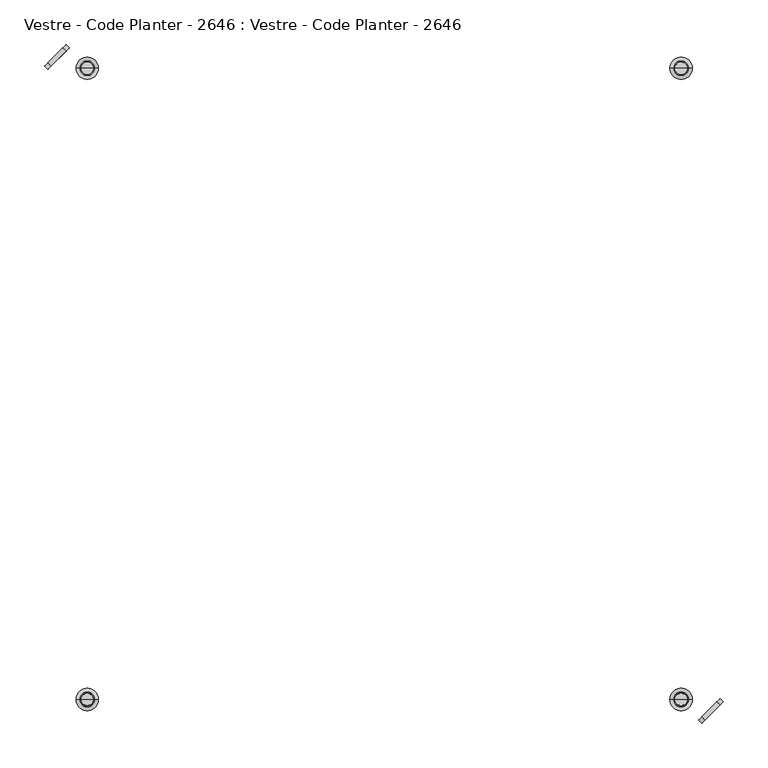
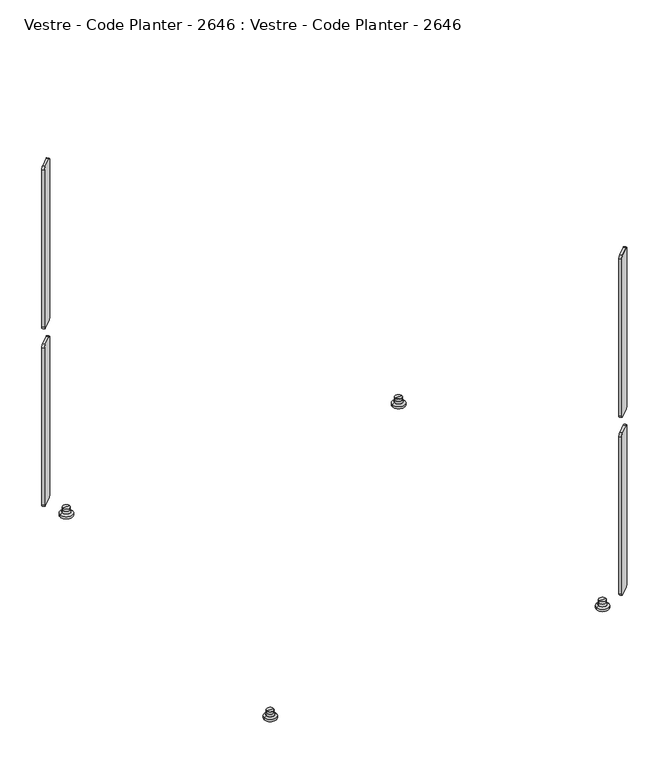
"""IFC4 building model written with IfcOpenShell, lengths in millimetres: furniture geometry, Vestre - Code Planter - 2646 : Vestre - Code Planter - 2646."""

from ifc_helpers import new_model, si_unit, point, frame, frame_2d, origin, place, context, project, spatial, polyline, circle_curve, ellipse_curve, trimmed, segment, composite_curve, outline, extrude, source, transform, mapped, element, save
from ifc_brep_helpers import plane_surface, cylinder_surface, revolved_surface, advanced_brep


def vestre_code_planter_2646_vestre_code_planter_2646_c08bb300(model_context):
    return source(origin(), model_context, "Body", "SolidModel", [
        advanced_brep(
        [(345.0266752, 353.4677551, 4.0279529), (319.9733248, 353.4677551, 4.0279529), (319.9733248, 353.4677551, 0.0), (345.0266752, 353.4677551, 0.0), (341.0866069, 353.4677551, 6.765116), (323.9133931, 353.4677551, 6.765116), (339.6063717, 353.4677551, 11.1153947), (325.3936283, 353.4677551, 11.1153947), (324.3614786, 353.4677551, 7.3965204), (340.6385214, 353.4677551, 7.3965204), (339.4991773, 353.4677551, 16.475), (325.5008227, 353.4677551, 16.475), (325.5008227, 353.4677551, 11.9024454), (339.4991773, 353.4677551, 11.9024454), (332.5, 353.4677551, 16.475), (332.5, 353.4677551, 0.0)],
        [
            (0, 1, circle_curve(frame((332.5, 353.4677551, 4.0279529), z_axis=(0.0, 0.0, -1.0), x_axis=(-1.0, 0.0, 0.0)), 12.5266752)),
            (1, 2),
            (2, 3, circle_curve(frame((332.5, 353.4677551, 0.0), z_axis=(0.0, 0.0, 1.0), x_axis=(-1.0, 0.0, 0.0)), 12.5266752)),
            (3, 0),
            (1, 0, circle_curve(frame((332.5, 353.4677551, 4.0279529), z_axis=(0.0, 0.0, -1.0), x_axis=(-1.0, 0.0, 0.0)), 12.5266752)),
            (3, 2, circle_curve(frame((332.5, 353.4677551, 0.0), z_axis=(0.0, 0.0, 1.0), x_axis=(-1.0, 0.0, 0.0)), 12.5266752)),
            (4, 5, circle_curve(frame((332.5, 353.4677551, 6.765116), z_axis=(0.0, 0.0, -1.0), x_axis=(-1.0, 0.0, 0.0)), 8.5866069)),
            (5, 1),
            (0, 4),
            (5, 4, circle_curve(frame((332.5, 353.4677551, 6.765116), z_axis=(0.0, 0.0, -1.0), x_axis=(-1.0, 0.0, 0.0)), 8.5866069)),
            (6, 7, circle_curve(frame((332.5, 353.4677551, 11.1153947), z_axis=(0.0, 0.0, -1.0), x_axis=(-1.0, 0.0, 0.0)), 7.1063717)),
            (7, 8),
            (8, 9, circle_curve(frame((332.5, 353.4677551, 7.3965204), z_axis=(0.0, 0.0, 1.0), x_axis=(-1.0, 0.0, 0.0)), 8.1385214)),
            (9, 6),
            (7, 6, circle_curve(frame((332.5, 353.4677551, 11.1153947), z_axis=(0.0, 0.0, -1.0), x_axis=(-1.0, 0.0, 0.0)), 7.1063717)),
            (9, 8, circle_curve(frame((332.5, 353.4677551, 7.3965204), z_axis=(0.0, 0.0, 1.0), x_axis=(-1.0, 0.0, 0.0)), 8.1385214)),
            (10, 11, circle_curve(frame((332.5, 353.4677551, 16.475), z_axis=(0.0, 0.0, -1.0), x_axis=(-1.0, 0.0, 0.0)), 6.9991773)),
            (11, 12),
            (12, 13, circle_curve(frame((332.5, 353.4677551, 11.9024454), z_axis=(0.0, 0.0, 1.0), x_axis=(-1.0, 0.0, 0.0)), 6.9991773)),
            (13, 10),
            (11, 10, circle_curve(frame((332.5, 353.4677551, 16.475), z_axis=(0.0, 0.0, -1.0), x_axis=(-1.0, 0.0, 0.0)), 6.9991773)),
            (13, 12, circle_curve(frame((332.5, 353.4677551, 11.9024454), z_axis=(0.0, 0.0, 1.0), x_axis=(-1.0, 0.0, 0.0)), 6.9991773)),
            (14, 11),
            (10, 14),
            (2, 15),
            (15, 3),
            (8, 5, circle_curve(frame((323.2629503, 353.4677551, 7.7014099), z_axis=(0.0, 1.0, 0.0), x_axis=(-1.0, 0.0, 0.0)), 1.1400535)),
            (4, 9, circle_curve(frame((341.7370497, 353.4677551, 7.7014099), z_axis=(0.0, 1.0, 0.0), x_axis=(1.0, 0.0, 0.0)), 1.1400535)),
            (12, 7, circle_curve(frame((322.5578548, 353.4677551, 11.9024454), z_axis=(0.0, 1.0, 0.0), x_axis=(-1.0, 0.0, 0.0)), 2.9429678)),
            (6, 13, circle_curve(frame((342.4421452, 353.4677551, 11.9024454), z_axis=(0.0, 1.0, 0.0), x_axis=(1.0, 0.0, 0.0)), 2.9429678)),
        ],
        [
            cylinder_surface(frame((332.5, 353.4677551, 22.5805596), z_axis=(0.0, 0.0, 1.0), x_axis=(-1.0, 0.0, 0.0)), 12.5266752),
            revolved_surface(polyline([(319.9733248, 353.4677551, 4.0279529), (323.9133931, 353.4677551, 6.765116)]), (332.5, 353.4677551, 22.5805596), (0.0, 0.0, 1.0)),
            revolved_surface(polyline([(324.3614786, 353.4677551, 7.3965204), (325.3936283, 353.4677551, 11.1153947)]), (332.5, 353.4677551, 22.5805596), (0.0, 0.0, 1.0)),
            cylinder_surface(frame((332.5, 353.4677551, 22.5805596), z_axis=(0.0, 0.0, 1.0), x_axis=(-1.0, 0.0, 0.0)), 6.9991773),
            plane_surface(frame((332.5, 353.4677551, 16.475), z_axis=(0.0, 0.0, 1.0), x_axis=(-1.0, 0.0, 0.0))),
            plane_surface(frame((332.5, 353.4677551, 0.0), z_axis=(0.0, 0.0, -1.0), x_axis=(-1.0, 0.0, 0.0))),
            revolved_surface(trimmed(ellipse_curve(frame((323.2629503, 353.4677551, 7.7014099), z_axis=(0.0, -1.0, 0.0), x_axis=(-1.0, 0.0, 0.0)), 1.1400535, 1.1400535), [point((323.9133931, 353.4677551, 6.765116))], [point((324.3614786, 353.4677551, 7.3965204))], True, "CARTESIAN"), (332.5, 353.4677551, 22.5805596), (0.0, 0.0, 1.0)),
            revolved_surface(trimmed(ellipse_curve(frame((322.5578548, 353.4677551, 11.9024454), z_axis=(0.0, -1.0, 0.0), x_axis=(-1.0, 0.0, 0.0)), 2.9429678, 2.9429678), [point((325.3936283, 353.4677551, 11.1153947))], [point((325.5008227, 353.4677551, 11.9024454))], True, "CARTESIAN"), (332.5, 353.4677551, 22.5805596), (0.0, 0.0, 1.0)),
        ],
        [
            (0, [[1, 2, 3, 4]]),
            (0, [[5, -4, 6, -2]]),
            (1, [[7, 8, -1, 9]]),
            (1, [[10, -9, -5, -8]]),
            (2, [[11, 12, 13, 14]]),
            (2, [[15, -14, 16, -12]]),
            (3, [[17, 18, 19, 20]]),
            (3, [[21, -20, 22, -18]]),
            (4, [[23, -17, 24]]),
            (4, [[-24, -21, -23]]),
            (5, [[-3, 25, 26]]),
            (5, [[-6, -26, -25]]),
            (6, [[-13, 27, -7, 28]]),
            (6, [[-16, -28, -10, -27]]),
            (7, [[-19, 29, -11, 30]]),
            (7, [[-22, -30, -15, -29]]),
        ],
    ),
        advanced_brep(
        [(-345.0266752, 353.4677551, 0.0), (-319.9733248, 353.4677551, 0.0), (-319.9733248, 353.4677551, 4.0279529), (-345.0266752, 353.4677551, 4.0279529), (-323.9133931, 353.4677551, 6.765116), (-341.0866069, 353.4677551, 6.765116), (-340.6385214, 353.4677551, 7.3965204), (-324.3614786, 353.4677551, 7.3965204), (-325.3936283, 353.4677551, 11.1153947), (-339.6063717, 353.4677551, 11.1153947), (-339.4991773, 353.4677551, 11.9024454), (-325.5008227, 353.4677551, 11.9024454), (-325.5008227, 353.4677551, 16.475), (-339.4991773, 353.4677551, 16.475), (-332.5, 353.4677551, 16.475), (-332.5, 353.4677551, 0.0)],
        [
            (0, 1, circle_curve(frame((-332.5, 353.4677551, 0.0), z_axis=(0.0, 0.0, 1.0), x_axis=(1.0, 0.0, 0.0)), 12.5266752)),
            (1, 2),
            (2, 3, circle_curve(frame((-332.5, 353.4677551, 4.0279529), z_axis=(0.0, 0.0, -1.0), x_axis=(1.0, 0.0, 0.0)), 12.5266752)),
            (3, 0),
            (1, 0, circle_curve(frame((-332.5, 353.4677551, 0.0), z_axis=(0.0, 0.0, 1.0), x_axis=(1.0, 0.0, 0.0)), 12.5266752)),
            (3, 2, circle_curve(frame((-332.5, 353.4677551, 4.0279529), z_axis=(0.0, 0.0, -1.0), x_axis=(1.0, 0.0, 0.0)), 12.5266752)),
            (2, 4),
            (4, 5, circle_curve(frame((-332.5, 353.4677551, 6.765116), z_axis=(0.0, 0.0, -1.0), x_axis=(1.0, 0.0, 0.0)), 8.5866069)),
            (5, 3),
            (5, 4, circle_curve(frame((-332.5, 353.4677551, 6.765116), z_axis=(0.0, 0.0, -1.0), x_axis=(1.0, 0.0, 0.0)), 8.5866069)),
            (6, 7, circle_curve(frame((-332.5, 353.4677551, 7.3965204), z_axis=(0.0, 0.0, 1.0), x_axis=(1.0, 0.0, 0.0)), 8.1385214)),
            (7, 8),
            (8, 9, circle_curve(frame((-332.5, 353.4677551, 11.1153947), z_axis=(0.0, 0.0, -1.0), x_axis=(1.0, 0.0, 0.0)), 7.1063717)),
            (9, 6),
            (7, 6, circle_curve(frame((-332.5, 353.4677551, 7.3965204), z_axis=(0.0, 0.0, 1.0), x_axis=(1.0, 0.0, 0.0)), 8.1385214)),
            (9, 8, circle_curve(frame((-332.5, 353.4677551, 11.1153947), z_axis=(0.0, 0.0, -1.0), x_axis=(1.0, 0.0, 0.0)), 7.1063717)),
            (10, 11, circle_curve(frame((-332.5, 353.4677551, 11.9024454), z_axis=(0.0, 0.0, 1.0), x_axis=(1.0, 0.0, 0.0)), 6.9991773)),
            (11, 12),
            (12, 13, circle_curve(frame((-332.5, 353.4677551, 16.475), z_axis=(0.0, 0.0, -1.0), x_axis=(1.0, 0.0, 0.0)), 6.9991773)),
            (13, 10),
            (11, 10, circle_curve(frame((-332.5, 353.4677551, 11.9024454), z_axis=(0.0, 0.0, 1.0), x_axis=(1.0, 0.0, 0.0)), 6.9991773)),
            (13, 12, circle_curve(frame((-332.5, 353.4677551, 16.475), z_axis=(0.0, 0.0, -1.0), x_axis=(1.0, 0.0, 0.0)), 6.9991773)),
            (12, 14),
            (14, 13),
            (15, 1),
            (0, 15),
            (4, 7, circle_curve(frame((-323.2629503, 353.4677551, 7.7014099), z_axis=(0.0, 1.0, 0.0), x_axis=(1.0, 0.0, 0.0)), 1.1400535)),
            (6, 5, circle_curve(frame((-341.7370497, 353.4677551, 7.7014099), z_axis=(0.0, 1.0, 0.0), x_axis=(-1.0, 0.0, 0.0)), 1.1400535)),
            (8, 11, circle_curve(frame((-322.5578548, 353.4677551, 11.9024454), z_axis=(0.0, 1.0, 0.0), x_axis=(1.0, 0.0, 0.0)), 2.9429678)),
            (10, 9, circle_curve(frame((-342.4421452, 353.4677551, 11.9024454), z_axis=(0.0, 1.0, 0.0), x_axis=(-1.0, 0.0, 0.0)), 2.9429678)),
        ],
        [
            cylinder_surface(frame((-332.5, 353.4677551, 22.5805596), z_axis=(0.0, 0.0, -1.0), x_axis=(1.0, 0.0, 0.0)), 12.5266752),
            revolved_surface(polyline([(-323.9133931, 353.4677551, 6.765116), (-319.9733248, 353.4677551, 4.0279529)]), (-332.5, 353.4677551, 22.5805596), (0.0, 0.0, -1.0)),
            revolved_surface(polyline([(-325.3936283, 353.4677551, 11.1153947), (-324.3614786, 353.4677551, 7.3965204)]), (-332.5, 353.4677551, 22.5805596), (0.0, 0.0, -1.0)),
            cylinder_surface(frame((-332.5, 353.4677551, 22.5805596), z_axis=(0.0, 0.0, -1.0), x_axis=(1.0, 0.0, 0.0)), 6.9991773),
            plane_surface(frame((-332.5, 353.4677551, 16.475), z_axis=(0.0, 0.0, 1.0), x_axis=(1.0, 0.0, 0.0))),
            plane_surface(frame((-332.5, 353.4677551, 0.0), z_axis=(0.0, 0.0, -1.0), x_axis=(1.0, 0.0, 0.0))),
            revolved_surface(trimmed(ellipse_curve(frame((-323.2629503, 353.4677551, 7.7014099), z_axis=(0.0, -1.0, 0.0), x_axis=(1.0, 0.0, 0.0)), 1.1400535, 1.1400535), [point((-324.3614786, 353.4677551, 7.3965204))], [point((-323.9133931, 353.4677551, 6.765116))], True, "CARTESIAN"), (-332.5, 353.4677551, 22.5805596), (0.0, 0.0, -1.0)),
            revolved_surface(trimmed(ellipse_curve(frame((-322.5578548, 353.4677551, 11.9024454), z_axis=(0.0, -1.0, 0.0), x_axis=(1.0, 0.0, 0.0)), 2.9429678, 2.9429678), [point((-325.5008227, 353.4677551, 11.9024454))], [point((-325.3936283, 353.4677551, 11.1153947))], True, "CARTESIAN"), (-332.5, 353.4677551, 22.5805596), (0.0, 0.0, -1.0)),
        ],
        [
            (0, [[1, 2, 3, 4]]),
            (0, [[5, -4, 6, -2]]),
            (1, [[-3, 7, 8, 9]]),
            (1, [[-6, -9, 10, -7]]),
            (2, [[11, 12, 13, 14]]),
            (2, [[15, -14, 16, -12]]),
            (3, [[17, 18, 19, 20]]),
            (3, [[21, -20, 22, -18]]),
            (4, [[-19, 23, 24]]),
            (4, [[-22, -24, -23]]),
            (5, [[25, -1, 26]]),
            (5, [[-26, -5, -25]]),
            (6, [[-8, 27, -11, 28]]),
            (6, [[-10, -28, -15, -27]]),
            (7, [[-13, 29, -17, 30]]),
            (7, [[-16, -30, -21, -29]]),
        ],
    ),
        advanced_brep(
        [(345.0266752, -353.4677551, 0.0), (319.9733248, -353.4677551, 0.0), (319.9733248, -353.4677551, 4.0279529), (345.0266752, -353.4677551, 4.0279529), (323.9133931, -353.4677551, 6.765116), (341.0866069, -353.4677551, 6.765116), (340.6385214, -353.4677551, 7.3965204), (324.3614786, -353.4677551, 7.3965204), (325.3936283, -353.4677551, 11.1153947), (339.6063717, -353.4677551, 11.1153947), (339.4991773, -353.4677551, 11.9024454), (325.5008227, -353.4677551, 11.9024454), (325.5008227, -353.4677551, 16.475), (339.4991773, -353.4677551, 16.475), (332.5, -353.4677551, 16.475), (332.5, -353.4677551, 0.0)],
        [
            (0, 1, circle_curve(frame((332.5, -353.4677551, 0.0), z_axis=(0.0, 0.0, 1.0), x_axis=(-1.0, 0.0, 0.0)), 12.5266752)),
            (1, 2),
            (2, 3, circle_curve(frame((332.5, -353.4677551, 4.0279529), z_axis=(0.0, 0.0, -1.0), x_axis=(-1.0, 0.0, 0.0)), 12.5266752)),
            (3, 0),
            (1, 0, circle_curve(frame((332.5, -353.4677551, 0.0), z_axis=(0.0, 0.0, 1.0), x_axis=(-1.0, 0.0, 0.0)), 12.5266752)),
            (3, 2, circle_curve(frame((332.5, -353.4677551, 4.0279529), z_axis=(0.0, 0.0, -1.0), x_axis=(-1.0, 0.0, 0.0)), 12.5266752)),
            (2, 4),
            (4, 5, circle_curve(frame((332.5, -353.4677551, 6.765116), z_axis=(0.0, 0.0, -1.0), x_axis=(-1.0, 0.0, 0.0)), 8.5866069)),
            (5, 3),
            (5, 4, circle_curve(frame((332.5, -353.4677551, 6.765116), z_axis=(0.0, 0.0, -1.0), x_axis=(-1.0, 0.0, 0.0)), 8.5866069)),
            (6, 7, circle_curve(frame((332.5, -353.4677551, 7.3965204), z_axis=(0.0, 0.0, 1.0), x_axis=(-1.0, 0.0, 0.0)), 8.1385214)),
            (7, 8),
            (8, 9, circle_curve(frame((332.5, -353.4677551, 11.1153947), z_axis=(0.0, 0.0, -1.0), x_axis=(-1.0, 0.0, 0.0)), 7.1063717)),
            (9, 6),
            (7, 6, circle_curve(frame((332.5, -353.4677551, 7.3965204), z_axis=(0.0, 0.0, 1.0), x_axis=(-1.0, 0.0, 0.0)), 8.1385214)),
            (9, 8, circle_curve(frame((332.5, -353.4677551, 11.1153947), z_axis=(0.0, 0.0, -1.0), x_axis=(-1.0, 0.0, 0.0)), 7.1063717)),
            (10, 11, circle_curve(frame((332.5, -353.4677551, 11.9024454), z_axis=(0.0, 0.0, 1.0), x_axis=(-1.0, 0.0, 0.0)), 6.9991773)),
            (11, 12),
            (12, 13, circle_curve(frame((332.5, -353.4677551, 16.475), z_axis=(0.0, 0.0, -1.0), x_axis=(-1.0, 0.0, 0.0)), 6.9991773)),
            (13, 10),
            (11, 10, circle_curve(frame((332.5, -353.4677551, 11.9024454), z_axis=(0.0, 0.0, 1.0), x_axis=(-1.0, 0.0, 0.0)), 6.9991773)),
            (13, 12, circle_curve(frame((332.5, -353.4677551, 16.475), z_axis=(0.0, 0.0, -1.0), x_axis=(-1.0, 0.0, 0.0)), 6.9991773)),
            (12, 14),
            (14, 13),
            (15, 1),
            (0, 15),
            (4, 7, circle_curve(frame((323.2629503, -353.4677551, 7.7014099), z_axis=(0.0, -1.0, 0.0), x_axis=(-1.0, 0.0, 0.0)), 1.1400535)),
            (6, 5, circle_curve(frame((341.7370497, -353.4677551, 7.7014099), z_axis=(0.0, -1.0, 0.0), x_axis=(1.0, 0.0, 0.0)), 1.1400535)),
            (8, 11, circle_curve(frame((322.5578548, -353.4677551, 11.9024454), z_axis=(0.0, -1.0, 0.0), x_axis=(-1.0, 0.0, 0.0)), 2.9429678)),
            (10, 9, circle_curve(frame((342.4421452, -353.4677551, 11.9024454), z_axis=(0.0, -1.0, 0.0), x_axis=(1.0, 0.0, 0.0)), 2.9429678)),
        ],
        [
            cylinder_surface(frame((332.5, -353.4677551, 22.5805596), z_axis=(0.0, 0.0, -1.0), x_axis=(-1.0, 0.0, 0.0)), 12.5266752),
            revolved_surface(polyline([(323.9133931, -353.4677551, 6.765116), (319.9733248, -353.4677551, 4.0279529)]), (332.5, -353.4677551, 22.5805596), (0.0, 0.0, -1.0)),
            revolved_surface(polyline([(325.3936283, -353.4677551, 11.1153947), (324.3614786, -353.4677551, 7.3965204)]), (332.5, -353.4677551, 22.5805596), (0.0, 0.0, -1.0)),
            cylinder_surface(frame((332.5, -353.4677551, 22.5805596), z_axis=(0.0, 0.0, -1.0), x_axis=(-1.0, 0.0, 0.0)), 6.9991773),
            plane_surface(frame((332.5, -353.4677551, 16.475), z_axis=(0.0, 0.0, 1.0), x_axis=(-1.0, 0.0, 0.0))),
            plane_surface(frame((332.5, -353.4677551, 0.0), z_axis=(0.0, 0.0, -1.0), x_axis=(-1.0, 0.0, 0.0))),
            revolved_surface(trimmed(ellipse_curve(frame((323.2629503, -353.4677551, 7.7014099), z_axis=(0.0, 1.0, 0.0), x_axis=(-1.0, 0.0, 0.0)), 1.1400535, 1.1400535), [point((324.3614786, -353.4677551, 7.3965204))], [point((323.9133931, -353.4677551, 6.765116))], True, "CARTESIAN"), (332.5, -353.4677551, 22.5805596), (0.0, 0.0, -1.0)),
            revolved_surface(trimmed(ellipse_curve(frame((322.5578548, -353.4677551, 11.9024454), z_axis=(0.0, 1.0, 0.0), x_axis=(-1.0, 0.0, 0.0)), 2.9429678, 2.9429678), [point((325.5008227, -353.4677551, 11.9024454))], [point((325.3936283, -353.4677551, 11.1153947))], True, "CARTESIAN"), (332.5, -353.4677551, 22.5805596), (0.0, 0.0, -1.0)),
        ],
        [
            (0, [[1, 2, 3, 4]]),
            (0, [[5, -4, 6, -2]]),
            (1, [[-3, 7, 8, 9]]),
            (1, [[-6, -9, 10, -7]]),
            (2, [[11, 12, 13, 14]]),
            (2, [[15, -14, 16, -12]]),
            (3, [[17, 18, 19, 20]]),
            (3, [[21, -20, 22, -18]]),
            (4, [[-19, 23, 24]]),
            (4, [[-22, -24, -23]]),
            (5, [[25, -1, 26]]),
            (5, [[-26, -5, -25]]),
            (6, [[-8, 27, -11, 28]]),
            (6, [[-10, -28, -15, -27]]),
            (7, [[-13, 29, -17, 30]]),
            (7, [[-16, -30, -21, -29]]),
        ],
    ),
        advanced_brep(
        [(-345.0266752, -353.4677551, 4.0279529), (-319.9733248, -353.4677551, 4.0279529), (-319.9733248, -353.4677551, 0.0), (-345.0266752, -353.4677551, 0.0), (-341.0866069, -353.4677551, 6.765116), (-323.9133931, -353.4677551, 6.765116), (-339.6063717, -353.4677551, 11.1153947), (-325.3936283, -353.4677551, 11.1153947), (-324.3614786, -353.4677551, 7.3965204), (-340.6385214, -353.4677551, 7.3965204), (-339.4991773, -353.4677551, 16.475), (-325.5008227, -353.4677551, 16.475), (-325.5008227, -353.4677551, 11.9024454), (-339.4991773, -353.4677551, 11.9024454), (-332.5, -353.4677551, 16.475), (-332.5, -353.4677551, 0.0)],
        [
            (0, 1, circle_curve(frame((-332.5, -353.4677551, 4.0279529), z_axis=(0.0, 0.0, -1.0), x_axis=(1.0, 0.0, 0.0)), 12.5266752)),
            (1, 2),
            (2, 3, circle_curve(frame((-332.5, -353.4677551, 0.0), z_axis=(0.0, 0.0, 1.0), x_axis=(1.0, 0.0, 0.0)), 12.5266752)),
            (3, 0),
            (1, 0, circle_curve(frame((-332.5, -353.4677551, 4.0279529), z_axis=(0.0, 0.0, -1.0), x_axis=(1.0, 0.0, 0.0)), 12.5266752)),
            (3, 2, circle_curve(frame((-332.5, -353.4677551, 0.0), z_axis=(0.0, 0.0, 1.0), x_axis=(1.0, 0.0, 0.0)), 12.5266752)),
            (4, 5, circle_curve(frame((-332.5, -353.4677551, 6.765116), z_axis=(0.0, 0.0, -1.0), x_axis=(1.0, 0.0, 0.0)), 8.5866069)),
            (5, 1),
            (0, 4),
            (5, 4, circle_curve(frame((-332.5, -353.4677551, 6.765116), z_axis=(0.0, 0.0, -1.0), x_axis=(1.0, 0.0, 0.0)), 8.5866069)),
            (6, 7, circle_curve(frame((-332.5, -353.4677551, 11.1153947), z_axis=(0.0, 0.0, -1.0), x_axis=(1.0, 0.0, 0.0)), 7.1063717)),
            (7, 8),
            (8, 9, circle_curve(frame((-332.5, -353.4677551, 7.3965204), z_axis=(0.0, 0.0, 1.0), x_axis=(1.0, 0.0, 0.0)), 8.1385214)),
            (9, 6),
            (7, 6, circle_curve(frame((-332.5, -353.4677551, 11.1153947), z_axis=(0.0, 0.0, -1.0), x_axis=(1.0, 0.0, 0.0)), 7.1063717)),
            (9, 8, circle_curve(frame((-332.5, -353.4677551, 7.3965204), z_axis=(0.0, 0.0, 1.0), x_axis=(1.0, 0.0, 0.0)), 8.1385214)),
            (10, 11, circle_curve(frame((-332.5, -353.4677551, 16.475), z_axis=(0.0, 0.0, -1.0), x_axis=(1.0, 0.0, 0.0)), 6.9991773)),
            (11, 12),
            (12, 13, circle_curve(frame((-332.5, -353.4677551, 11.9024454), z_axis=(0.0, 0.0, 1.0), x_axis=(1.0, 0.0, 0.0)), 6.9991773)),
            (13, 10),
            (11, 10, circle_curve(frame((-332.5, -353.4677551, 16.475), z_axis=(0.0, 0.0, -1.0), x_axis=(1.0, 0.0, 0.0)), 6.9991773)),
            (13, 12, circle_curve(frame((-332.5, -353.4677551, 11.9024454), z_axis=(0.0, 0.0, 1.0), x_axis=(1.0, 0.0, 0.0)), 6.9991773)),
            (14, 11),
            (10, 14),
            (2, 15),
            (15, 3),
            (8, 5, circle_curve(frame((-323.2629503, -353.4677551, 7.7014099), z_axis=(0.0, -1.0, 0.0), x_axis=(1.0, 0.0, 0.0)), 1.1400535)),
            (4, 9, circle_curve(frame((-341.7370497, -353.4677551, 7.7014099), z_axis=(0.0, -1.0, 0.0), x_axis=(-1.0, 0.0, 0.0)), 1.1400535)),
            (12, 7, circle_curve(frame((-322.5578548, -353.4677551, 11.9024454), z_axis=(0.0, -1.0, 0.0), x_axis=(1.0, 0.0, 0.0)), 2.9429678)),
            (6, 13, circle_curve(frame((-342.4421452, -353.4677551, 11.9024454), z_axis=(0.0, -1.0, 0.0), x_axis=(-1.0, 0.0, 0.0)), 2.9429678)),
        ],
        [
            cylinder_surface(frame((-332.5, -353.4677551, 22.5805596), z_axis=(0.0, 0.0, 1.0), x_axis=(1.0, 0.0, 0.0)), 12.5266752),
            revolved_surface(polyline([(-319.9733248, -353.4677551, 4.0279529), (-323.9133931, -353.4677551, 6.765116)]), (-332.5, -353.4677551, 22.5805596), (0.0, 0.0, 1.0)),
            revolved_surface(polyline([(-324.3614786, -353.4677551, 7.3965204), (-325.3936283, -353.4677551, 11.1153947)]), (-332.5, -353.4677551, 22.5805596), (0.0, 0.0, 1.0)),
            cylinder_surface(frame((-332.5, -353.4677551, 22.5805596), z_axis=(0.0, 0.0, 1.0), x_axis=(1.0, 0.0, 0.0)), 6.9991773),
            plane_surface(frame((-332.5, -353.4677551, 16.475), z_axis=(0.0, 0.0, 1.0), x_axis=(1.0, 0.0, 0.0))),
            plane_surface(frame((-332.5, -353.4677551, 0.0), z_axis=(0.0, 0.0, -1.0), x_axis=(1.0, 0.0, 0.0))),
            revolved_surface(trimmed(ellipse_curve(frame((-323.2629503, -353.4677551, 7.7014099), z_axis=(0.0, 1.0, 0.0), x_axis=(1.0, 0.0, 0.0)), 1.1400535, 1.1400535), [point((-323.9133931, -353.4677551, 6.765116))], [point((-324.3614786, -353.4677551, 7.3965204))], True, "CARTESIAN"), (-332.5, -353.4677551, 22.5805596), (0.0, 0.0, 1.0)),
            revolved_surface(trimmed(ellipse_curve(frame((-322.5578548, -353.4677551, 11.9024454), z_axis=(0.0, 1.0, 0.0), x_axis=(1.0, 0.0, 0.0)), 2.9429678, 2.9429678), [point((-325.3936283, -353.4677551, 11.1153947))], [point((-325.5008227, -353.4677551, 11.9024454))], True, "CARTESIAN"), (-332.5, -353.4677551, 22.5805596), (0.0, 0.0, 1.0)),
        ],
        [
            (0, [[1, 2, 3, 4]]),
            (0, [[5, -4, 6, -2]]),
            (1, [[7, 8, -1, 9]]),
            (1, [[10, -9, -5, -8]]),
            (2, [[11, 12, 13, 14]]),
            (2, [[15, -14, 16, -12]]),
            (3, [[17, 18, 19, 20]]),
            (3, [[21, -20, 22, -18]]),
            (4, [[23, -17, 24]]),
            (4, [[-24, -21, -23]]),
            (5, [[-3, 25, 26]]),
            (5, [[-6, -26, -25]]),
            (6, [[-13, 27, -7, 28]]),
            (6, [[-16, -28, -10, -27]]),
            (7, [[-19, 29, -11, 30]]),
            (7, [[-22, -30, -15, -29]]),
        ],
    ),
        extrude(outline(composite_curve([segment(trimmed(circle_curve(frame_2d((23.9999999, -5.0)), 5.0), [point((23.9999999, 0.0))], [point((28.9999999, -5.0))], False, "CARTESIAN"), True, "CONTINUOUS"), segment(polyline([(28.9999999, -5.0), (28.9999999, -337.0)]), True, "CONTINUOUS"), segment(trimmed(circle_curve(frame_2d((23.9999999, -337.0)), 5.0), [point((28.9999999, -337.0))], [point((23.9999999, -342.0))], False, "CARTESIAN"), True, "CONTINUOUS"), segment(polyline([(23.9999999, -342.0), (0.0, -342.0)]), True, "CONTINUOUS"), segment(trimmed(circle_curve(frame_2d((0.0, -337.0)), 5.0), [point((0.0, -342.0))], [point((-5.0, -337.0))], False, "CARTESIAN"), True, "CONTINUOUS"), segment(polyline([(-5.0, -337.0), (-5.0, -5.0)]), True, "CONTINUOUS"), segment(trimmed(circle_curve(frame_2d((0.0, -5.0)), 5.0), [point((-5.0, -5.0))], [point((0.0, 0.0))], False, "CARTESIAN"), True, "CONTINUOUS"), segment(polyline([(0.0, 0.0), (23.9999999, 0.0)]), True, "CONTINUOUS")], self_intersect=False)), frame((376.2010101, -359.7304474, 749.475), z_axis=(-0.7071067811865507, 0.7071067811865444, 0.0), x_axis=(-0.7071067811865444, -0.7071067811865507, 0.0)), (0.0, 0.0, 1.0), 5.0),
        extrude(outline(composite_curve([segment(trimmed(circle_curve(frame_2d((23.9999999, -381.0)), 5.0), [point((23.9999999, -376.0))], [point((28.9999999, -381.0))], False, "CARTESIAN"), True, "CONTINUOUS"), segment(polyline([(28.9999999, -381.0), (28.9999999, -713.0)]), True, "CONTINUOUS"), segment(trimmed(circle_curve(frame_2d((23.9999999, -713.0)), 5.0), [point((28.9999999, -713.0))], [point((23.9999999, -718.0))], False, "CARTESIAN"), True, "CONTINUOUS"), segment(polyline([(23.9999999, -718.0), (0.0, -718.0)]), True, "CONTINUOUS"), segment(trimmed(circle_curve(frame_2d((0.0, -713.0)), 5.0), [point((0.0, -718.0))], [point((-5.0, -713.0))], False, "CARTESIAN"), True, "CONTINUOUS"), segment(polyline([(-5.0, -713.0), (-5.0, -381.0)]), True, "CONTINUOUS"), segment(trimmed(circle_curve(frame_2d((0.0, -381.0)), 5.0), [point((-5.0, -381.0))], [point((0.0, -376.0))], False, "CARTESIAN"), True, "CONTINUOUS"), segment(polyline([(0.0, -376.0), (23.9999999, -376.0)]), True, "CONTINUOUS")], self_intersect=False)), frame((376.2010101, -359.7304474, 749.475), z_axis=(-0.7071067811865507, 0.7071067811865444, 0.0), x_axis=(-0.7071067811865444, -0.7071067811865507, 0.0)), (0.0, 0.0, 1.0), 5.0),
        extrude(outline(composite_curve([segment(trimmed(circle_curve(frame_2d((0.0, -5.0)), 5.0), [point((0.0, 0.0))], [point((5.0, -5.0))], False, "CARTESIAN"), True, "CONTINUOUS"), segment(polyline([(5.0, -5.0), (5.0, -337.0)]), True, "CONTINUOUS"), segment(trimmed(circle_curve(frame_2d((0.0, -337.0)), 5.0), [point((5.0, -337.0))], [point((0.0, -342.0))], False, "CARTESIAN"), True, "CONTINUOUS"), segment(polyline([(0.0, -342.0), (-23.9999999, -342.0)]), True, "CONTINUOUS"), segment(trimmed(circle_curve(frame_2d((-23.9999999, -337.0)), 5.0), [point((-23.9999999, -342.0))], [point((-28.9999999, -337.0))], False, "CARTESIAN"), True, "CONTINUOUS"), segment(polyline([(-28.9999999, -337.0), (-28.9999999, -5.0)]), True, "CONTINUOUS"), segment(trimmed(circle_curve(frame_2d((-23.9999999, -5.0)), 5.0), [point((-28.9999999, -5.0))], [point((-23.9999999, 0.0))], False, "CARTESIAN"), True, "CONTINUOUS"), segment(polyline([(-23.9999999, 0.0), (0.0, 0.0)]), True, "CONTINUOUS")], self_intersect=False)), frame((-373.1654762, 355.6949135, 749.475), z_axis=(-0.7071067811865444, 0.7071067811865507, 0.0), x_axis=(-0.7071067811865507, -0.7071067811865444, 0.0)), (0.0, 0.0, 1.0), 5.0),
        extrude(outline(composite_curve([segment(trimmed(circle_curve(frame_2d((0.0, -381.0)), 5.0), [point((0.0, -376.0))], [point((5.0, -381.0))], False, "CARTESIAN"), True, "CONTINUOUS"), segment(polyline([(5.0, -381.0), (5.0, -713.0)]), True, "CONTINUOUS"), segment(trimmed(circle_curve(frame_2d((0.0, -713.0)), 5.0), [point((5.0, -713.0))], [point((0.0, -718.0))], False, "CARTESIAN"), True, "CONTINUOUS"), segment(polyline([(0.0, -718.0), (-23.9999999, -718.0)]), True, "CONTINUOUS"), segment(trimmed(circle_curve(frame_2d((-23.9999999, -713.0)), 5.0), [point((-23.9999999, -718.0))], [point((-28.9999999, -713.0))], False, "CARTESIAN"), True, "CONTINUOUS"), segment(polyline([(-28.9999999, -713.0), (-28.9999999, -381.0)]), True, "CONTINUOUS"), segment(trimmed(circle_curve(frame_2d((-23.9999999, -381.0)), 5.0), [point((-28.9999999, -381.0))], [point((-23.9999999, -376.0))], False, "CARTESIAN"), True, "CONTINUOUS"), segment(polyline([(-23.9999999, -376.0), (0.0, -376.0)]), True, "CONTINUOUS")], self_intersect=False)), frame((-373.1654762, 355.6949135, 749.475), z_axis=(-0.7071067811865444, 0.7071067811865507, 0.0), x_axis=(-0.7071067811865507, -0.7071067811865444, 0.0)), (0.0, 0.0, 1.0), 5.0),
    ])


if __name__ == "__main__":
    model = new_model("IFC4")
    model_context = context("Model", 3, world=origin())
    ifc_project = project(units=[si_unit("LENGTHUNIT", "METRE", prefix="MILLI")], contexts=[model_context])
    site = spatial("IfcSite", under=ifc_project)
    building = spatial("IfcBuilding", under=site)
    placement = place(None, origin())
    vestre_code_planter_2646_vestre_code_planter_2646_shape = vestre_code_planter_2646_vestre_code_planter_2646_c08bb300(model_context)
    element("IfcFurniture", 1, ObjectType="Vestre - Code Planter - 2646 : Vestre - Code Planter - 2646", at=placement, inside=building, context=model_context, shape_type="MappedRepresentation", body=[
        mapped(vestre_code_planter_2646_vestre_code_planter_2646_shape, transform((0.0, 0.0, 0.0), x_axis=(1.0, 0.0, 0.0), y_axis=(0.0, 1.0, 0.0), z_axis=(0.0, 0.0, 1.0))),
    ])
    save(model, "model.ifc")
